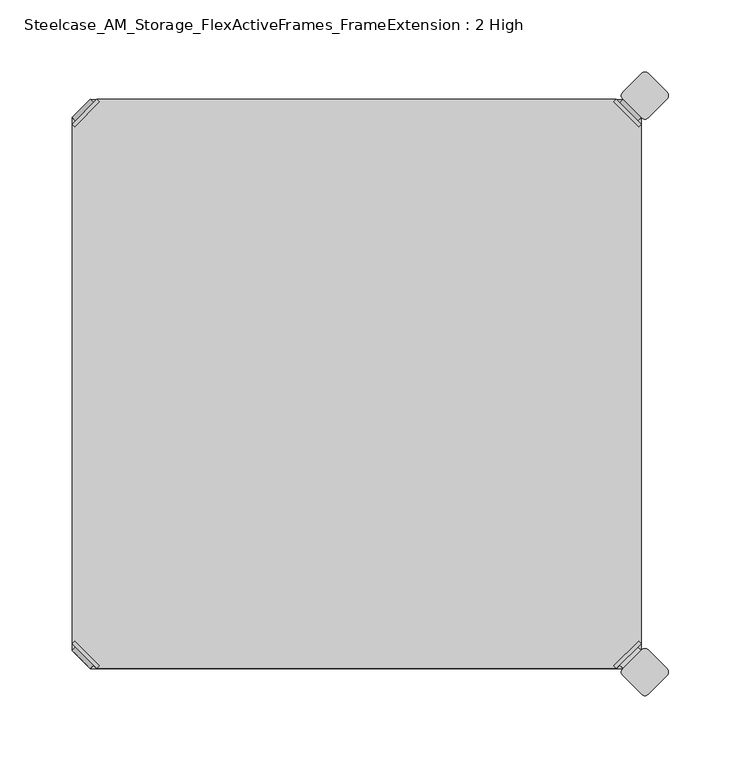
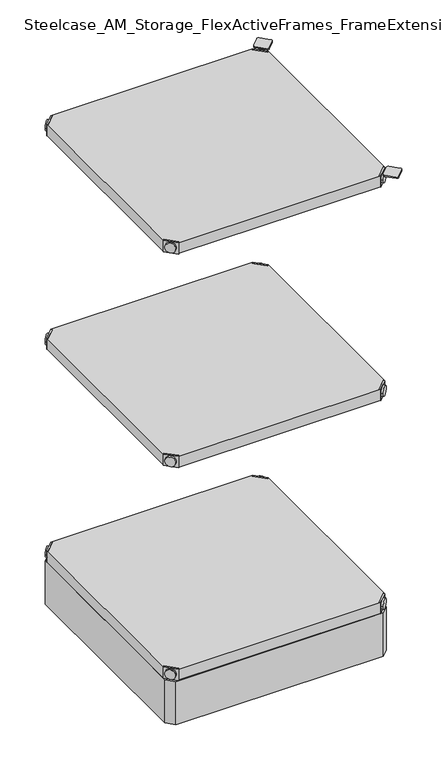
"""IFC4 building model written with IfcOpenShell, lengths in millimetres: furniture geometry, Steelcase_AM_Storage_FlexActiveFrames_FrameExtension : 2 High."""

from ifc_helpers import new_model, si_unit, point, frame, frame_2d, origin, place, context, project, spatial, polyline, circle_curve, trimmed, segment, composite_curve, outline, extrude, source, transform, mapped, element, save
from ifc_brep_helpers import plane_surface, cylinder_surface, advanced_brep


def steelcase_am_storage_flexactiveframes_frameextension_2_high_9f9d7669(model_context):
    return source(origin(), model_context, "Body", "SolidModel", [
        advanced_brep(
        [(2.54, 380.2870969, 520.2936), (4.3360512, 378.4910456, 520.2936), (21.5589544, 395.7139488, 520.2936), (19.7629031, 397.51, 520.2936), (19.7629031, 397.51, 498.9576), (2.54, 380.2870969, 498.9576), (4.8652723, 382.6123691, 510.1336), (17.4376309, 395.1847277, 510.1336), (30.2920522, 352.5350447, 499.9736), (47.5149553, 369.7579478, 499.9736), (21.5589544, 395.7139488, 499.9736), (4.3360512, 378.4910456, 499.9736), (30.2920522, 352.5350447, 498.9576), (47.5149553, 369.7579478, 498.9576), (15.1227513, 397.4996073, 510.1336), (2.5503927, 384.9272487, 510.1336)],
        [
            (0, 1),
            (1, 2),
            (2, 3),
            (3, 0),
            (3, 4),
            (4, 5),
            (5, 0),
            (6, 7, circle_curve(frame((11.1514516, 388.8985484, 510.1336), z_axis=(0.7071067811865446, -0.7071067811865505, 0.0), x_axis=(-0.7071067811865505, -0.7071067811865446, 0.0)), 8.89)),
            (7, 6, circle_curve(frame((11.1514516, 388.8985484, 510.1336), z_axis=(0.7071067811865446, -0.7071067811865505, 0.0), x_axis=(-0.7071067811865505, -0.7071067811865446, 0.0)), 8.89)),
            (8, 9, circle_curve(frame((38.9035037, 361.1464963, 499.9736), z_axis=(0.0, 0.0, 1.0), x_axis=(1.0, 0.0, 0.0)), 12.1784316)),
            (9, 10),
            (10, 11),
            (11, 8),
            (12, 5),
            (4, 13),
            (13, 12, circle_curve(frame((38.9035037, 361.1464963, 498.9576), z_axis=(0.0, 0.0, -1.0), x_axis=(1.0, 0.0, 0.0)), 12.1784316)),
            (14, 15, circle_curve(frame((8.836572, 391.213428, 510.1336), z_axis=(-0.7071067811865446, 0.7071067811865505, 0.0), x_axis=(-0.7071067811865505, -0.7071067811865446, 0.0)), 8.89)),
            (15, 14, circle_curve(frame((8.836572, 391.213428, 510.1336), z_axis=(-0.7071067811865446, 0.7071067811865505, 0.0), x_axis=(-0.7071067811865505, -0.7071067811865446, 0.0)), 8.89)),
            (14, 7),
            (6, 15),
            (1, 11),
            (10, 2),
            (8, 12),
            (13, 9),
        ],
        [
            plane_surface(frame((-19.6579872, 402.485084, 520.2936), z_axis=(0.0, 0.0, 1.0000000000000002), x_axis=(0.7071067811865436, -0.7071067811865516, 0.0))),
            plane_surface(frame((19.7629031, 397.51, 520.2936), z_axis=(-0.7071067811865447, 0.7071067811865503, 0.0), x_axis=(0.0, 0.0, -1.0))),
            plane_surface(frame((51.0819353, 361.1464963, 499.9736), z_axis=(0.0, 0.0, 1.0), x_axis=(0.0, 1.0, 0.0))),
            plane_surface(frame((51.0819353, 361.1464963, 498.9576), z_axis=(0.0, 0.0, -1.0), x_axis=(0.0, -1.0, 0.0))),
            plane_surface(frame((2.5503927, 384.9272487, 510.1336), z_axis=(-0.7071067811865446, 0.7071067811865505, 0.0), x_axis=(0.0, 0.0, 1.0))),
            cylinder_surface(frame((11.1514516, 388.8985484, 510.1336), z_axis=(-0.7071067811865446, 0.7071067811865505, 0.0), x_axis=(-0.7071067811865505, -0.7071067811865446, 0.0)), 8.89),
            plane_surface(frame((4.3360512, 378.4910456, 520.2936), z_axis=(0.7071067811865447, -0.7071067811865503, 0.0), x_axis=(0.0, 0.0, -1.0))),
            cylinder_surface(frame((38.9035037, 361.1464963, 498.9576), z_axis=(0.0, 0.0, 1.0), x_axis=(1.0, 0.0, 0.0)), 12.1784316),
            plane_surface(frame((2.54, 380.2870969, 520.2936), z_axis=(-0.7071067811865516, -0.7071067811865436, 0.0), x_axis=(0.0, 0.0, -1.0))),
            plane_surface(frame((21.5589544, 395.7139488, 520.2936), z_axis=(0.7071067811865513, 0.7071067811865437, 0.0), x_axis=(0.0, 0.0, -1.0))),
        ],
        [
            (0, [[1, 2, 3, 4]]),
            (1, [[-4, 5, 6, 7], [8, 9]]),
            (2, [[10, 11, 12, 13]]),
            (3, [[14, -6, 15, 16]]),
            (4, [[17, 18]]),
            (5, [[-17, 19, -8, 20]]),
            (5, [[-18, -20, -9, -19]]),
            (6, [[-2, 21, -12, 22]]),
            (7, [[-10, 23, -16, 24]]),
            (8, [[-1, -7, -14, -23, -13, -21]]),
            (9, [[-3, -22, -11, -24, -15, -5]]),
        ],
    ),
        advanced_brep(
        [(397.51, 380.2870969, 520.2936), (380.2870969, 397.51, 520.2936), (378.4910456, 395.7139488, 520.2936), (395.7139488, 378.4910456, 520.2936), (397.51, 380.2870969, 498.9576), (380.2870969, 397.51, 498.9576), (395.1847277, 382.6123691, 510.1336), (382.6123691, 395.1847277, 510.1336), (369.7579478, 352.5350447, 499.9736), (395.7139488, 378.4910456, 499.9736), (378.4910456, 395.7139488, 499.9736), (352.5350447, 369.7579478, 499.9736), (369.7579478, 352.5350447, 498.9576), (352.5350447, 369.7579478, 498.9576), (384.9272487, 397.4996073, 510.1336), (397.4996073, 384.9272487, 510.1336)],
        [
            (0, 1),
            (1, 2),
            (2, 3),
            (3, 0),
            (0, 4),
            (4, 5),
            (5, 1),
            (6, 7, circle_curve(frame((388.8985484, 388.8985484, 510.1336), z_axis=(-0.7071067811865446, -0.7071067811865505, 0.0), x_axis=(0.7071067811865505, -0.7071067811865446, 0.0)), 8.89)),
            (7, 6, circle_curve(frame((388.8985484, 388.8985484, 510.1336), z_axis=(-0.7071067811865446, -0.7071067811865505, 0.0), x_axis=(0.7071067811865505, -0.7071067811865446, 0.0)), 8.89)),
            (8, 9),
            (9, 10),
            (10, 11),
            (11, 8, circle_curve(frame((361.1464963, 361.1464963, 499.9736), z_axis=(0.0, 0.0, 1.0), x_axis=(-1.0, 0.0, 0.0)), 12.1784316)),
            (12, 13, circle_curve(frame((361.1464963, 361.1464963, 498.9576), z_axis=(0.0, 0.0, -1.0), x_axis=(-1.0, 0.0, 0.0)), 12.1784316)),
            (13, 5),
            (4, 12),
            (14, 15, circle_curve(frame((391.213428, 391.213428, 510.1336), z_axis=(0.7071067811865446, 0.7071067811865505, 0.0), x_axis=(0.7071067811865505, -0.7071067811865446, 0.0)), 8.89)),
            (15, 14, circle_curve(frame((391.213428, 391.213428, 510.1336), z_axis=(0.7071067811865446, 0.7071067811865505, 0.0), x_axis=(0.7071067811865505, -0.7071067811865446, 0.0)), 8.89)),
            (15, 6),
            (7, 14),
            (2, 10),
            (9, 3),
            (11, 13),
            (12, 8),
        ],
        [
            plane_surface(frame((419.7079872, 402.485084, 520.2936), z_axis=(0.0, 0.0, 1.0000000000000002), x_axis=(-0.7071067811865436, -0.7071067811865516, 0.0))),
            plane_surface(frame((380.2870969, 397.51, 520.2936), z_axis=(0.7071067811865447, 0.7071067811865503, 0.0), x_axis=(0.0, 0.0, -1.0))),
            plane_surface(frame((348.9680647, 361.1464963, 499.9736), z_axis=(0.0, 0.0, 1.0), x_axis=(0.0, 1.0, 0.0))),
            plane_surface(frame((348.9680647, 361.1464963, 498.9576), z_axis=(0.0, 0.0, -1.0), x_axis=(0.0, -1.0, 0.0))),
            plane_surface(frame((397.4996073, 384.9272487, 510.1336), z_axis=(0.7071067811865446, 0.7071067811865505, 0.0), x_axis=(0.0, 0.0, 1.0))),
            cylinder_surface(frame((388.8985484, 388.8985484, 510.1336), z_axis=(0.7071067811865446, 0.7071067811865505, 0.0), x_axis=(0.7071067811865505, -0.7071067811865446, 0.0)), 8.89),
            plane_surface(frame((395.7139488, 378.4910456, 520.2936), z_axis=(-0.7071067811865447, -0.7071067811865503, 0.0), x_axis=(0.0, 0.0, -1.0))),
            cylinder_surface(frame((361.1464963, 361.1464963, 498.9576), z_axis=(0.0, 0.0, 1.0), x_axis=(-1.0, 0.0, 0.0)), 12.1784316),
            plane_surface(frame((397.51, 380.2870969, 520.2936), z_axis=(0.7071067811865516, -0.7071067811865436, 0.0), x_axis=(0.0, 0.0, -1.0))),
            plane_surface(frame((378.4910456, 395.7139488, 520.2936), z_axis=(-0.7071067811865513, 0.7071067811865437, 0.0), x_axis=(0.0, 0.0, -1.0))),
        ],
        [
            (0, [[1, 2, 3, 4]]),
            (1, [[5, 6, 7, -1], [8, 9]]),
            (2, [[10, 11, 12, 13]]),
            (3, [[14, 15, -6, 16]]),
            (4, [[17, 18]]),
            (5, [[19, -9, 20, -18]]),
            (5, [[-20, -8, -19, -17]]),
            (6, [[21, -11, 22, -3]]),
            (7, [[23, -14, 24, -13]]),
            (8, [[-22, -10, -24, -16, -5, -4]]),
            (9, [[-7, -15, -23, -12, -21, -2]]),
        ],
    ),
        advanced_brep(
        [(397.51, 19.7629031, 520.2936), (395.7139488, 21.5589544, 520.2936), (378.4910456, 4.3360512, 520.2936), (380.2870969, 2.54, 520.2936), (380.2870969, 2.54, 498.9576), (397.51, 19.7629031, 498.9576), (395.1847277, 17.4376309, 510.1336), (382.6123691, 4.8652723, 510.1336), (369.7579478, 47.5149553, 499.9736), (352.5350447, 30.2920522, 499.9736), (378.4910456, 4.3360512, 499.9736), (395.7139488, 21.5589544, 499.9736), (369.7579478, 47.5149553, 498.9576), (352.5350447, 30.2920522, 498.9576), (384.9272487, 2.5503927, 510.1336), (397.4996073, 15.1227513, 510.1336)],
        [
            (0, 1),
            (1, 2),
            (2, 3),
            (3, 0),
            (3, 4),
            (4, 5),
            (5, 0),
            (6, 7, circle_curve(frame((388.8985484, 11.1514516, 510.1336), z_axis=(-0.7071067811865469, 0.7071067811865481, 0.0), x_axis=(0.7071067811865481, 0.7071067811865469, 0.0)), 8.89)),
            (7, 6, circle_curve(frame((388.8985484, 11.1514516, 510.1336), z_axis=(-0.7071067811865469, 0.7071067811865481, 0.0), x_axis=(0.7071067811865481, 0.7071067811865469, 0.0)), 8.89)),
            (8, 9, circle_curve(frame((361.1464963, 38.9035037, 499.9736), z_axis=(0.0, 0.0, 1.0), x_axis=(-1.0, 0.0, 0.0)), 12.1784316)),
            (9, 10),
            (10, 11),
            (11, 8),
            (12, 5),
            (4, 13),
            (13, 12, circle_curve(frame((361.1464963, 38.9035037, 498.9576), z_axis=(0.0, 0.0, -1.0), x_axis=(-1.0, 0.0, 0.0)), 12.1784316)),
            (14, 15, circle_curve(frame((391.213428, 8.836572, 510.1336), z_axis=(0.7071067811865469, -0.7071067811865481, 0.0), x_axis=(0.7071067811865481, 0.7071067811865469, 0.0)), 8.89)),
            (15, 14, circle_curve(frame((391.213428, 8.836572, 510.1336), z_axis=(0.7071067811865469, -0.7071067811865481, 0.0), x_axis=(0.7071067811865481, 0.7071067811865469, 0.0)), 8.89)),
            (14, 7),
            (6, 15),
            (1, 11),
            (10, 2),
            (8, 12),
            (13, 9),
        ],
        [
            plane_surface(frame((419.7079872, -2.435084, 520.2936), z_axis=(0.0, 0.0, 1.0000000000000002), x_axis=(-0.7071067811865459, 0.7071067811865492, 0.0))),
            plane_surface(frame((380.2870969, 2.54, 520.2936), z_axis=(0.707106781186547, -0.707106781186548, 0.0), x_axis=(0.0, 0.0, -1.0))),
            plane_surface(frame((348.9680647, 38.9035037, 499.9736), z_axis=(0.0, 0.0, 1.0), x_axis=(0.0, -1.0, 0.0))),
            plane_surface(frame((348.9680647, 38.9035037, 498.9576), z_axis=(0.0, 0.0, -1.0), x_axis=(0.0, 1.0, 0.0))),
            plane_surface(frame((397.4996073, 15.1227513, 510.1336), z_axis=(0.7071067811865469, -0.7071067811865481, 0.0), x_axis=(0.0, 0.0, 1.0))),
            cylinder_surface(frame((388.8985484, 11.1514516, 510.1336), z_axis=(0.7071067811865469, -0.7071067811865481, 0.0), x_axis=(0.7071067811865481, 0.7071067811865469, 0.0)), 8.89),
            plane_surface(frame((395.7139488, 21.5589544, 520.2936), z_axis=(-0.707106781186547, 0.707106781186548, 0.0), x_axis=(0.0, 0.0, -1.0))),
            cylinder_surface(frame((361.1464963, 38.9035037, 498.9576), z_axis=(0.0, 0.0, 1.0), x_axis=(-1.0, 0.0, 0.0)), 12.1784316),
            plane_surface(frame((397.51, 19.7629031, 520.2936), z_axis=(0.7071067811865492, 0.7071067811865459, 0.0), x_axis=(0.0, 0.0, -1.0))),
            plane_surface(frame((378.4910456, 4.3360512, 520.2936), z_axis=(-0.707106781186549, -0.707106781186546, 0.0), x_axis=(0.0, 0.0, -1.0))),
        ],
        [
            (0, [[1, 2, 3, 4]]),
            (1, [[-4, 5, 6, 7], [8, 9]]),
            (2, [[10, 11, 12, 13]]),
            (3, [[14, -6, 15, 16]]),
            (4, [[17, 18]]),
            (5, [[-17, 19, -8, 20]]),
            (5, [[-18, -20, -9, -19]]),
            (6, [[-2, 21, -12, 22]]),
            (7, [[-10, 23, -16, 24]]),
            (8, [[-1, -7, -14, -23, -13, -21]]),
            (9, [[-3, -22, -11, -24, -15, -5]]),
        ],
    ),
        advanced_brep(
        [(2.54, 19.7629031, 520.2936), (19.7629031, 2.54, 520.2936), (21.5589544, 4.3360512, 520.2936), (4.3360512, 21.5589544, 520.2936), (2.54, 19.7629031, 498.9576), (19.7629031, 2.54, 498.9576), (4.8652723, 17.4376309, 510.1336), (17.4376309, 4.8652723, 510.1336), (30.2920522, 47.5149553, 499.9736), (4.3360512, 21.5589544, 499.9736), (21.5589544, 4.3360512, 499.9736), (47.5149553, 30.2920522, 499.9736), (30.2920522, 47.5149553, 498.9576), (47.5149553, 30.2920522, 498.9576), (15.1227513, 2.5503927, 510.1336), (2.5503927, 15.1227513, 510.1336)],
        [
            (0, 1),
            (1, 2),
            (2, 3),
            (3, 0),
            (0, 4),
            (4, 5),
            (5, 1),
            (6, 7, circle_curve(frame((11.1514516, 11.1514516, 510.1336), z_axis=(0.7071067811865469, 0.7071067811865481, 0.0), x_axis=(-0.7071067811865481, 0.7071067811865469, 0.0)), 8.89)),
            (7, 6, circle_curve(frame((11.1514516, 11.1514516, 510.1336), z_axis=(0.7071067811865469, 0.7071067811865481, 0.0), x_axis=(-0.7071067811865481, 0.7071067811865469, 0.0)), 8.89)),
            (8, 9),
            (9, 10),
            (10, 11),
            (11, 8, circle_curve(frame((38.9035037, 38.9035037, 499.9736), z_axis=(0.0, 0.0, 1.0), x_axis=(1.0, 0.0, 0.0)), 12.1784316)),
            (12, 13, circle_curve(frame((38.9035037, 38.9035037, 498.9576), z_axis=(0.0, 0.0, -1.0), x_axis=(1.0, 0.0, 0.0)), 12.1784316)),
            (13, 5),
            (4, 12),
            (14, 15, circle_curve(frame((8.836572, 8.836572, 510.1336), z_axis=(-0.7071067811865469, -0.7071067811865481, 0.0), x_axis=(-0.7071067811865481, 0.7071067811865469, 0.0)), 8.89)),
            (15, 14, circle_curve(frame((8.836572, 8.836572, 510.1336), z_axis=(-0.7071067811865469, -0.7071067811865481, 0.0), x_axis=(-0.7071067811865481, 0.7071067811865469, 0.0)), 8.89)),
            (15, 6),
            (7, 14),
            (2, 10),
            (9, 3),
            (11, 13),
            (12, 8),
        ],
        [
            plane_surface(frame((-19.6579872, -2.435084, 520.2936), z_axis=(0.0, 0.0, 1.0000000000000002), x_axis=(0.7071067811865459, 0.7071067811865492, 0.0))),
            plane_surface(frame((19.7629031, 2.54, 520.2936), z_axis=(-0.707106781186547, -0.707106781186548, 0.0), x_axis=(0.0, 0.0, -1.0))),
            plane_surface(frame((51.0819353, 38.9035037, 499.9736), z_axis=(0.0, 0.0, 1.0), x_axis=(0.0, -1.0, 0.0))),
            plane_surface(frame((51.0819353, 38.9035037, 498.9576), z_axis=(0.0, 0.0, -1.0), x_axis=(0.0, 1.0, 0.0))),
            plane_surface(frame((2.5503927, 15.1227513, 510.1336), z_axis=(-0.7071067811865469, -0.7071067811865481, 0.0), x_axis=(0.0, 0.0, 1.0))),
            cylinder_surface(frame((11.1514516, 11.1514516, 510.1336), z_axis=(-0.7071067811865469, -0.7071067811865481, 0.0), x_axis=(-0.7071067811865481, 0.7071067811865469, 0.0)), 8.89),
            plane_surface(frame((4.3360512, 21.5589544, 520.2936), z_axis=(0.707106781186547, 0.707106781186548, 0.0), x_axis=(0.0, 0.0, -1.0))),
            cylinder_surface(frame((38.9035037, 38.9035037, 498.9576), z_axis=(0.0, 0.0, 1.0), x_axis=(1.0, 0.0, 0.0)), 12.1784316),
            plane_surface(frame((2.54, 19.7629031, 520.2936), z_axis=(-0.7071067811865492, 0.7071067811865459, 0.0), x_axis=(0.0, 0.0, -1.0))),
            plane_surface(frame((21.5589544, 4.3360512, 520.2936), z_axis=(0.707106781186549, -0.707106781186546, 0.0), x_axis=(0.0, 0.0, -1.0))),
        ],
        [
            (0, [[1, 2, 3, 4]]),
            (1, [[5, 6, 7, -1], [8, 9]]),
            (2, [[10, 11, 12, 13]]),
            (3, [[14, 15, -6, 16]]),
            (4, [[17, 18]]),
            (5, [[19, -9, 20, -18]]),
            (5, [[-20, -8, -19, -17]]),
            (6, [[21, -11, 22, -3]]),
            (7, [[23, -14, 24, -13]]),
            (8, [[-22, -10, -24, -16, -5, -4]]),
            (9, [[-7, -15, -23, -12, -21, -2]]),
        ],
    ),
        extrude(outline(polyline([(19.7629031, 2.54), (21.5589544, 4.3360512), (4.3360512, 21.5589544), (2.54, 19.7629031), (2.54, 380.2870969), (4.3360512, 378.4910456), (21.5589544, 395.7139488), (19.7629031, 397.51), (380.2870969, 397.51), (378.4910456, 395.7139488), (395.7139488, 378.4910456), (397.51, 380.2870969), (397.51, 19.7629031), (395.7139488, 21.5589544), (378.4910456, 4.3360512), (380.2870969, 2.54), (19.7629031, 2.54)])), frame((0.0, 0.0, 499.9736), z_axis=(0.0, 0.0, 1.0), x_axis=(1.0, 0.0, 0.0)), (0.0, 0.0, 1.0), 20.32),
        advanced_brep(
        [(2.54, 380.2870969, 923.29), (4.3360512, 378.4910456, 923.29), (21.5589544, 395.7139488, 923.29), (19.7629031, 397.51, 923.29), (19.7629031, 397.51, 901.954), (2.54, 380.2870969, 901.954), (4.8652723, 382.6123691, 913.13), (17.4376309, 395.1847277, 913.13), (30.2920522, 352.5350447, 902.97), (47.5149553, 369.7579478, 902.97), (21.5589544, 395.7139488, 902.97), (4.3360512, 378.4910456, 902.97), (30.2920522, 352.5350447, 901.954), (47.5149553, 369.7579478, 901.954), (15.1227513, 397.4996073, 913.13), (2.5503927, 384.9272487, 913.13)],
        [
            (0, 1),
            (1, 2),
            (2, 3),
            (3, 0),
            (3, 4),
            (4, 5),
            (5, 0),
            (6, 7, circle_curve(frame((11.1514516, 388.8985484, 913.13), z_axis=(0.7071067811865446, -0.7071067811865505, 0.0), x_axis=(-0.7071067811865505, -0.7071067811865446, 0.0)), 8.89)),
            (7, 6, circle_curve(frame((11.1514516, 388.8985484, 913.13), z_axis=(0.7071067811865446, -0.7071067811865505, 0.0), x_axis=(-0.7071067811865505, -0.7071067811865446, 0.0)), 8.89)),
            (8, 9, circle_curve(frame((38.9035037, 361.1464963, 902.97), z_axis=(0.0, 0.0, 1.0), x_axis=(1.0, 0.0, 0.0)), 12.1784316)),
            (9, 10),
            (10, 11),
            (11, 8),
            (12, 5),
            (4, 13),
            (13, 12, circle_curve(frame((38.9035037, 361.1464963, 901.954), z_axis=(0.0, 0.0, -1.0), x_axis=(1.0, 0.0, 0.0)), 12.1784316)),
            (14, 15, circle_curve(frame((8.836572, 391.213428, 913.13), z_axis=(-0.7071067811865446, 0.7071067811865505, 0.0), x_axis=(-0.7071067811865505, -0.7071067811865446, 0.0)), 8.89)),
            (15, 14, circle_curve(frame((8.836572, 391.213428, 913.13), z_axis=(-0.7071067811865446, 0.7071067811865505, 0.0), x_axis=(-0.7071067811865505, -0.7071067811865446, 0.0)), 8.89)),
            (14, 7),
            (6, 15),
            (1, 11),
            (10, 2),
            (8, 12),
            (13, 9),
        ],
        [
            plane_surface(frame((-19.6579872, 402.485084, 923.29), z_axis=(0.0, 0.0, 1.0000000000000002), x_axis=(0.7071067811865436, -0.7071067811865516, 0.0))),
            plane_surface(frame((19.7629031, 397.51, 923.29), z_axis=(-0.7071067811865447, 0.7071067811865503, 0.0), x_axis=(0.0, 0.0, -1.0))),
            plane_surface(frame((51.0819353, 361.1464963, 902.97), z_axis=(0.0, 0.0, 1.0), x_axis=(0.0, 1.0, 0.0))),
            plane_surface(frame((51.0819353, 361.1464963, 901.954), z_axis=(0.0, 0.0, -1.0), x_axis=(0.0, -1.0, 0.0))),
            plane_surface(frame((2.5503927, 384.9272487, 913.13), z_axis=(-0.7071067811865446, 0.7071067811865505, 0.0), x_axis=(0.0, 0.0, 1.0))),
            cylinder_surface(frame((11.1514516, 388.8985484, 913.13), z_axis=(-0.7071067811865446, 0.7071067811865505, 0.0), x_axis=(-0.7071067811865505, -0.7071067811865446, 0.0)), 8.89),
            plane_surface(frame((4.3360512, 378.4910456, 923.29), z_axis=(0.7071067811865447, -0.7071067811865503, 0.0), x_axis=(0.0, 0.0, -1.0))),
            cylinder_surface(frame((38.9035037, 361.1464963, 901.954), z_axis=(0.0, 0.0, 1.0), x_axis=(1.0, 0.0, 0.0)), 12.1784316),
            plane_surface(frame((2.54, 380.2870969, 923.29), z_axis=(-0.7071067811865516, -0.7071067811865436, 0.0), x_axis=(0.0, 0.0, -1.0))),
            plane_surface(frame((21.5589544, 395.7139488, 923.29), z_axis=(0.7071067811865513, 0.7071067811865437, 0.0), x_axis=(0.0, 0.0, -1.0))),
        ],
        [
            (0, [[1, 2, 3, 4]]),
            (1, [[-4, 5, 6, 7], [8, 9]]),
            (2, [[10, 11, 12, 13]]),
            (3, [[14, -6, 15, 16]]),
            (4, [[17, 18]]),
            (5, [[-17, 19, -8, 20]]),
            (5, [[-18, -20, -9, -19]]),
            (6, [[-2, 21, -12, 22]]),
            (7, [[-10, 23, -16, 24]]),
            (8, [[-1, -7, -14, -23, -13, -21]]),
            (9, [[-3, -22, -11, -24, -15, -5]]),
        ],
    ),
        advanced_brep(
        [(397.51, 380.2870969, 923.29), (380.2870969, 397.51, 923.29), (378.4910456, 395.7139488, 923.29), (395.7139488, 378.4910456, 923.29), (397.51, 380.2870969, 901.954), (380.2870969, 397.51, 901.954), (395.1847277, 382.6123691, 913.13), (382.6123691, 395.1847277, 913.13), (369.7579478, 352.5350447, 902.97), (395.7139488, 378.4910456, 902.97), (378.4910456, 395.7139488, 902.97), (352.5350447, 369.7579478, 902.97), (369.7579478, 352.5350447, 901.954), (352.5350447, 369.7579478, 901.954), (384.9272487, 397.4996073, 913.13), (397.4996073, 384.9272487, 913.13)],
        [
            (0, 1),
            (1, 2),
            (2, 3),
            (3, 0),
            (0, 4),
            (4, 5),
            (5, 1),
            (6, 7, circle_curve(frame((388.8985484, 388.8985484, 913.13), z_axis=(-0.7071067811865446, -0.7071067811865505, 0.0), x_axis=(0.7071067811865505, -0.7071067811865446, 0.0)), 8.89)),
            (7, 6, circle_curve(frame((388.8985484, 388.8985484, 913.13), z_axis=(-0.7071067811865446, -0.7071067811865505, 0.0), x_axis=(0.7071067811865505, -0.7071067811865446, 0.0)), 8.89)),
            (8, 9),
            (9, 10),
            (10, 11),
            (11, 8, circle_curve(frame((361.1464963, 361.1464963, 902.97), z_axis=(0.0, 0.0, 1.0), x_axis=(-1.0, 0.0, 0.0)), 12.1784316)),
            (12, 13, circle_curve(frame((361.1464963, 361.1464963, 901.954), z_axis=(0.0, 0.0, -1.0), x_axis=(-1.0, 0.0, 0.0)), 12.1784316)),
            (13, 5),
            (4, 12),
            (14, 15, circle_curve(frame((391.213428, 391.213428, 913.13), z_axis=(0.7071067811865446, 0.7071067811865505, 0.0), x_axis=(0.7071067811865505, -0.7071067811865446, 0.0)), 8.89)),
            (15, 14, circle_curve(frame((391.213428, 391.213428, 913.13), z_axis=(0.7071067811865446, 0.7071067811865505, 0.0), x_axis=(0.7071067811865505, -0.7071067811865446, 0.0)), 8.89)),
            (15, 6),
            (7, 14),
            (2, 10),
            (9, 3),
            (11, 13),
            (12, 8),
        ],
        [
            plane_surface(frame((419.7079872, 402.485084, 923.29), z_axis=(0.0, 0.0, 1.0000000000000002), x_axis=(-0.7071067811865436, -0.7071067811865516, 0.0))),
            plane_surface(frame((380.2870969, 397.51, 923.29), z_axis=(0.7071067811865447, 0.7071067811865503, 0.0), x_axis=(0.0, 0.0, -1.0))),
            plane_surface(frame((348.9680647, 361.1464963, 902.97), z_axis=(0.0, 0.0, 1.0), x_axis=(0.0, 1.0, 0.0))),
            plane_surface(frame((348.9680647, 361.1464963, 901.954), z_axis=(0.0, 0.0, -1.0), x_axis=(0.0, -1.0, 0.0))),
            plane_surface(frame((397.4996073, 384.9272487, 913.13), z_axis=(0.7071067811865446, 0.7071067811865505, 0.0), x_axis=(0.0, 0.0, 1.0))),
            cylinder_surface(frame((388.8985484, 388.8985484, 913.13), z_axis=(0.7071067811865446, 0.7071067811865505, 0.0), x_axis=(0.7071067811865505, -0.7071067811865446, 0.0)), 8.89),
            plane_surface(frame((395.7139488, 378.4910456, 923.29), z_axis=(-0.7071067811865447, -0.7071067811865503, 0.0), x_axis=(0.0, 0.0, -1.0))),
            cylinder_surface(frame((361.1464963, 361.1464963, 901.954), z_axis=(0.0, 0.0, 1.0), x_axis=(-1.0, 0.0, 0.0)), 12.1784316),
            plane_surface(frame((397.51, 380.2870969, 923.29), z_axis=(0.7071067811865516, -0.7071067811865436, 0.0), x_axis=(0.0, 0.0, -1.0))),
            plane_surface(frame((378.4910456, 395.7139488, 923.29), z_axis=(-0.7071067811865513, 0.7071067811865437, 0.0), x_axis=(0.0, 0.0, -1.0))),
        ],
        [
            (0, [[1, 2, 3, 4]]),
            (1, [[5, 6, 7, -1], [8, 9]]),
            (2, [[10, 11, 12, 13]]),
            (3, [[14, 15, -6, 16]]),
            (4, [[17, 18]]),
            (5, [[19, -9, 20, -18]]),
            (5, [[-20, -8, -19, -17]]),
            (6, [[21, -11, 22, -3]]),
            (7, [[23, -14, 24, -13]]),
            (8, [[-22, -10, -24, -16, -5, -4]]),
            (9, [[-7, -15, -23, -12, -21, -2]]),
        ],
    ),
        advanced_brep(
        [(397.51, 19.7629031, 923.29), (395.7139488, 21.5589544, 923.29), (378.4910456, 4.3360512, 923.29), (380.2870969, 2.54, 923.29), (380.2870969, 2.54, 901.954), (397.51, 19.7629031, 901.954), (395.1847277, 17.4376309, 913.13), (382.6123691, 4.8652723, 913.13), (369.7579478, 47.5149553, 902.97), (352.5350447, 30.2920522, 902.97), (378.4910456, 4.3360512, 902.97), (395.7139488, 21.5589544, 902.97), (369.7579478, 47.5149553, 901.954), (352.5350447, 30.2920522, 901.954), (384.9272487, 2.5503927, 913.13), (397.4996073, 15.1227513, 913.13)],
        [
            (0, 1),
            (1, 2),
            (2, 3),
            (3, 0),
            (3, 4),
            (4, 5),
            (5, 0),
            (6, 7, circle_curve(frame((388.8985484, 11.1514516, 913.13), z_axis=(-0.7071067811865469, 0.7071067811865481, 0.0), x_axis=(0.7071067811865481, 0.7071067811865469, 0.0)), 8.89)),
            (7, 6, circle_curve(frame((388.8985484, 11.1514516, 913.13), z_axis=(-0.7071067811865469, 0.7071067811865481, 0.0), x_axis=(0.7071067811865481, 0.7071067811865469, 0.0)), 8.89)),
            (8, 9, circle_curve(frame((361.1464963, 38.9035037, 902.97), z_axis=(0.0, 0.0, 1.0), x_axis=(-1.0, 0.0, 0.0)), 12.1784316)),
            (9, 10),
            (10, 11),
            (11, 8),
            (12, 5),
            (4, 13),
            (13, 12, circle_curve(frame((361.1464963, 38.9035037, 901.954), z_axis=(0.0, 0.0, -1.0), x_axis=(-1.0, 0.0, 0.0)), 12.1784316)),
            (14, 15, circle_curve(frame((391.213428, 8.836572, 913.13), z_axis=(0.7071067811865469, -0.7071067811865481, 0.0), x_axis=(0.7071067811865481, 0.7071067811865469, 0.0)), 8.89)),
            (15, 14, circle_curve(frame((391.213428, 8.836572, 913.13), z_axis=(0.7071067811865469, -0.7071067811865481, 0.0), x_axis=(0.7071067811865481, 0.7071067811865469, 0.0)), 8.89)),
            (14, 7),
            (6, 15),
            (1, 11),
            (10, 2),
            (8, 12),
            (13, 9),
        ],
        [
            plane_surface(frame((419.7079872, -2.435084, 923.29), z_axis=(0.0, 0.0, 1.0000000000000002), x_axis=(-0.7071067811865459, 0.7071067811865492, 0.0))),
            plane_surface(frame((380.2870969, 2.54, 923.29), z_axis=(0.707106781186547, -0.707106781186548, 0.0), x_axis=(0.0, 0.0, -1.0))),
            plane_surface(frame((348.9680647, 38.9035037, 902.97), z_axis=(0.0, 0.0, 1.0), x_axis=(0.0, -1.0, 0.0))),
            plane_surface(frame((348.9680647, 38.9035037, 901.954), z_axis=(0.0, 0.0, -1.0), x_axis=(0.0, 1.0, 0.0))),
            plane_surface(frame((397.4996073, 15.1227513, 913.13), z_axis=(0.7071067811865469, -0.7071067811865481, 0.0), x_axis=(0.0, 0.0, 1.0))),
            cylinder_surface(frame((388.8985484, 11.1514516, 913.13), z_axis=(0.7071067811865469, -0.7071067811865481, 0.0), x_axis=(0.7071067811865481, 0.7071067811865469, 0.0)), 8.89),
            plane_surface(frame((395.7139488, 21.5589544, 923.29), z_axis=(-0.707106781186547, 0.707106781186548, 0.0), x_axis=(0.0, 0.0, -1.0))),
            cylinder_surface(frame((361.1464963, 38.9035037, 901.954), z_axis=(0.0, 0.0, 1.0), x_axis=(-1.0, 0.0, 0.0)), 12.1784316),
            plane_surface(frame((397.51, 19.7629031, 923.29), z_axis=(0.7071067811865492, 0.7071067811865459, 0.0), x_axis=(0.0, 0.0, -1.0))),
            plane_surface(frame((378.4910456, 4.3360512, 923.29), z_axis=(-0.707106781186549, -0.707106781186546, 0.0), x_axis=(0.0, 0.0, -1.0))),
        ],
        [
            (0, [[1, 2, 3, 4]]),
            (1, [[-4, 5, 6, 7], [8, 9]]),
            (2, [[10, 11, 12, 13]]),
            (3, [[14, -6, 15, 16]]),
            (4, [[17, 18]]),
            (5, [[-17, 19, -8, 20]]),
            (5, [[-18, -20, -9, -19]]),
            (6, [[-2, 21, -12, 22]]),
            (7, [[-10, 23, -16, 24]]),
            (8, [[-1, -7, -14, -23, -13, -21]]),
            (9, [[-3, -22, -11, -24, -15, -5]]),
        ],
    ),
        advanced_brep(
        [(2.54, 19.7629031, 923.29), (19.7629031, 2.54, 923.29), (21.5589544, 4.3360512, 923.29), (4.3360512, 21.5589544, 923.29), (2.54, 19.7629031, 901.954), (19.7629031, 2.54, 901.954), (4.8652723, 17.4376309, 913.13), (17.4376309, 4.8652723, 913.13), (30.2920522, 47.5149553, 902.97), (4.3360512, 21.5589544, 902.97), (21.5589544, 4.3360512, 902.97), (47.5149553, 30.2920522, 902.97), (30.2920522, 47.5149553, 901.954), (47.5149553, 30.2920522, 901.954), (15.1227513, 2.5503927, 913.13), (2.5503927, 15.1227513, 913.13)],
        [
            (0, 1),
            (1, 2),
            (2, 3),
            (3, 0),
            (0, 4),
            (4, 5),
            (5, 1),
            (6, 7, circle_curve(frame((11.1514516, 11.1514516, 913.13), z_axis=(0.7071067811865469, 0.7071067811865481, 0.0), x_axis=(-0.7071067811865481, 0.7071067811865469, 0.0)), 8.89)),
            (7, 6, circle_curve(frame((11.1514516, 11.1514516, 913.13), z_axis=(0.7071067811865469, 0.7071067811865481, 0.0), x_axis=(-0.7071067811865481, 0.7071067811865469, 0.0)), 8.89)),
            (8, 9),
            (9, 10),
            (10, 11),
            (11, 8, circle_curve(frame((38.9035037, 38.9035037, 902.97), z_axis=(0.0, 0.0, 1.0), x_axis=(1.0, 0.0, 0.0)), 12.1784316)),
            (12, 13, circle_curve(frame((38.9035037, 38.9035037, 901.954), z_axis=(0.0, 0.0, -1.0), x_axis=(1.0, 0.0, 0.0)), 12.1784316)),
            (13, 5),
            (4, 12),
            (14, 15, circle_curve(frame((8.836572, 8.836572, 913.13), z_axis=(-0.7071067811865469, -0.7071067811865481, 0.0), x_axis=(-0.7071067811865481, 0.7071067811865469, 0.0)), 8.89)),
            (15, 14, circle_curve(frame((8.836572, 8.836572, 913.13), z_axis=(-0.7071067811865469, -0.7071067811865481, 0.0), x_axis=(-0.7071067811865481, 0.7071067811865469, 0.0)), 8.89)),
            (15, 6),
            (7, 14),
            (2, 10),
            (9, 3),
            (11, 13),
            (12, 8),
        ],
        [
            plane_surface(frame((-19.6579872, -2.435084, 923.29), z_axis=(0.0, 0.0, 1.0000000000000002), x_axis=(0.7071067811865459, 0.7071067811865492, 0.0))),
            plane_surface(frame((19.7629031, 2.54, 923.29), z_axis=(-0.707106781186547, -0.707106781186548, 0.0), x_axis=(0.0, 0.0, -1.0))),
            plane_surface(frame((51.0819353, 38.9035037, 902.97), z_axis=(0.0, 0.0, 1.0), x_axis=(0.0, -1.0, 0.0))),
            plane_surface(frame((51.0819353, 38.9035037, 901.954), z_axis=(0.0, 0.0, -1.0), x_axis=(0.0, 1.0, 0.0))),
            plane_surface(frame((2.5503927, 15.1227513, 913.13), z_axis=(-0.7071067811865469, -0.7071067811865481, 0.0), x_axis=(0.0, 0.0, 1.0))),
            cylinder_surface(frame((11.1514516, 11.1514516, 913.13), z_axis=(-0.7071067811865469, -0.7071067811865481, 0.0), x_axis=(-0.7071067811865481, 0.7071067811865469, 0.0)), 8.89),
            plane_surface(frame((4.3360512, 21.5589544, 923.29), z_axis=(0.707106781186547, 0.707106781186548, 0.0), x_axis=(0.0, 0.0, -1.0))),
            cylinder_surface(frame((38.9035037, 38.9035037, 901.954), z_axis=(0.0, 0.0, 1.0), x_axis=(1.0, 0.0, 0.0)), 12.1784316),
            plane_surface(frame((2.54, 19.7629031, 923.29), z_axis=(-0.7071067811865492, 0.7071067811865459, 0.0), x_axis=(0.0, 0.0, -1.0))),
            plane_surface(frame((21.5589544, 4.3360512, 923.29), z_axis=(0.707106781186549, -0.707106781186546, 0.0), x_axis=(0.0, 0.0, -1.0))),
        ],
        [
            (0, [[1, 2, 3, 4]]),
            (1, [[5, 6, 7, -1], [8, 9]]),
            (2, [[10, 11, 12, 13]]),
            (3, [[14, 15, -6, 16]]),
            (4, [[17, 18]]),
            (5, [[19, -9, 20, -18]]),
            (5, [[-20, -8, -19, -17]]),
            (6, [[21, -11, 22, -3]]),
            (7, [[23, -14, 24, -13]]),
            (8, [[-22, -10, -24, -16, -5, -4]]),
            (9, [[-7, -15, -23, -12, -21, -2]]),
        ],
    ),
        extrude(outline(polyline([(19.7629031, 2.54), (21.5589544, 4.3360512), (4.3360512, 21.5589544), (2.54, 19.7629031), (2.54, 380.2870969), (4.3360512, 378.4910456), (21.5589544, 395.7139488), (19.7629031, 397.51), (380.2870969, 397.51), (378.4910456, 395.7139488), (395.7139488, 378.4910456), (397.51, 380.2870969), (397.51, 19.7629031), (395.7139488, 21.5589544), (378.4910456, 4.3360512), (380.2870969, 2.54), (19.7629031, 2.54)])), frame((0.0, 0.0, 902.97), z_axis=(0.0, 0.0, 1.0), x_axis=(1.0, 0.0, 0.0)), (0.0, 0.0, 1.0), 20.32),
        advanced_brep(
        [(2.54, 380.2870969, 118.9736), (4.3360512, 378.4910456, 118.9736), (21.5589544, 395.7139488, 118.9736), (19.7629031, 397.51, 118.9736), (19.7629031, 397.51, 97.6376), (2.54, 380.2870969, 97.6376), (4.8652723, 382.6123691, 108.8136), (17.4376309, 395.1847277, 108.8136), (30.2920522, 352.5350447, 98.6536), (47.5149553, 369.7579478, 98.6536), (21.5589544, 395.7139488, 98.6536), (4.3360512, 378.4910456, 98.6536), (30.2920522, 352.5350447, 97.6376), (47.5149553, 369.7579478, 97.6376), (15.1227513, 397.4996073, 108.8136), (2.5503927, 384.9272487, 108.8136)],
        [
            (0, 1),
            (1, 2),
            (2, 3),
            (3, 0),
            (3, 4),
            (4, 5),
            (5, 0),
            (6, 7, circle_curve(frame((11.1514516, 388.8985484, 108.8136), z_axis=(0.7071067811865446, -0.7071067811865505, 0.0), x_axis=(-0.7071067811865505, -0.7071067811865446, 0.0)), 8.89)),
            (7, 6, circle_curve(frame((11.1514516, 388.8985484, 108.8136), z_axis=(0.7071067811865446, -0.7071067811865505, 0.0), x_axis=(-0.7071067811865505, -0.7071067811865446, 0.0)), 8.89)),
            (8, 9, circle_curve(frame((38.9035037, 361.1464963, 98.6536), z_axis=(0.0, 0.0, 1.0), x_axis=(1.0, 0.0, 0.0)), 12.1784316)),
            (9, 10),
            (10, 11),
            (11, 8),
            (12, 5),
            (4, 13),
            (13, 12, circle_curve(frame((38.9035037, 361.1464963, 97.6376), z_axis=(0.0, 0.0, -1.0), x_axis=(1.0, 0.0, 0.0)), 12.1784316)),
            (14, 15, circle_curve(frame((8.836572, 391.213428, 108.8136), z_axis=(-0.7071067811865446, 0.7071067811865505, 0.0), x_axis=(-0.7071067811865505, -0.7071067811865446, 0.0)), 8.89)),
            (15, 14, circle_curve(frame((8.836572, 391.213428, 108.8136), z_axis=(-0.7071067811865446, 0.7071067811865505, 0.0), x_axis=(-0.7071067811865505, -0.7071067811865446, 0.0)), 8.89)),
            (14, 7),
            (6, 15),
            (1, 11),
            (10, 2),
            (8, 12),
            (13, 9),
        ],
        [
            plane_surface(frame((-19.6579872, 402.485084, 118.9736), z_axis=(0.0, 0.0, 1.0000000000000002), x_axis=(0.7071067811865436, -0.7071067811865516, 0.0))),
            plane_surface(frame((19.7629031, 397.51, 118.9736), z_axis=(-0.7071067811865447, 0.7071067811865503, 0.0), x_axis=(0.0, 0.0, -1.0))),
            plane_surface(frame((51.0819353, 361.1464963, 98.6536), z_axis=(0.0, 0.0, 1.0), x_axis=(0.0, 1.0, 0.0))),
            plane_surface(frame((51.0819353, 361.1464963, 97.6376), z_axis=(0.0, 0.0, -1.0), x_axis=(0.0, -1.0, 0.0))),
            plane_surface(frame((2.5503927, 384.9272487, 108.8136), z_axis=(-0.7071067811865446, 0.7071067811865505, 0.0), x_axis=(0.0, 0.0, 1.0))),
            cylinder_surface(frame((11.1514516, 388.8985484, 108.8136), z_axis=(-0.7071067811865446, 0.7071067811865505, 0.0), x_axis=(-0.7071067811865505, -0.7071067811865446, 0.0)), 8.89),
            plane_surface(frame((4.3360512, 378.4910456, 118.9736), z_axis=(0.7071067811865447, -0.7071067811865503, 0.0), x_axis=(0.0, 0.0, -1.0))),
            cylinder_surface(frame((38.9035037, 361.1464963, 97.6376), z_axis=(0.0, 0.0, 1.0), x_axis=(1.0, 0.0, 0.0)), 12.1784316),
            plane_surface(frame((2.54, 380.2870969, 118.9736), z_axis=(-0.7071067811865516, -0.7071067811865436, 0.0), x_axis=(0.0, 0.0, -1.0))),
            plane_surface(frame((21.5589544, 395.7139488, 118.9736), z_axis=(0.7071067811865513, 0.7071067811865437, 0.0), x_axis=(0.0, 0.0, -1.0))),
        ],
        [
            (0, [[1, 2, 3, 4]]),
            (1, [[-4, 5, 6, 7], [8, 9]]),
            (2, [[10, 11, 12, 13]]),
            (3, [[14, -6, 15, 16]]),
            (4, [[17, 18]]),
            (5, [[-17, 19, -8, 20]]),
            (5, [[-18, -20, -9, -19]]),
            (6, [[-2, 21, -12, 22]]),
            (7, [[-10, 23, -16, 24]]),
            (8, [[-1, -7, -14, -23, -13, -21]]),
            (9, [[-3, -22, -11, -24, -15, -5]]),
        ],
    ),
        advanced_brep(
        [(397.51, 380.2870969, 118.9736), (380.2870969, 397.51, 118.9736), (378.4910456, 395.7139488, 118.9736), (395.7139488, 378.4910456, 118.9736), (397.51, 380.2870969, 97.6376), (380.2870969, 397.51, 97.6376), (395.1847277, 382.6123691, 108.8136), (382.6123691, 395.1847277, 108.8136), (369.7579478, 352.5350447, 98.6536), (395.7139488, 378.4910456, 98.6536), (378.4910456, 395.7139488, 98.6536), (352.5350447, 369.7579478, 98.6536), (369.7579478, 352.5350447, 97.6376), (352.5350447, 369.7579478, 97.6376), (384.9272487, 397.4996073, 108.8136), (397.4996073, 384.9272487, 108.8136)],
        [
            (0, 1),
            (1, 2),
            (2, 3),
            (3, 0),
            (0, 4),
            (4, 5),
            (5, 1),
            (6, 7, circle_curve(frame((388.8985484, 388.8985484, 108.8136), z_axis=(-0.7071067811865446, -0.7071067811865505, 0.0), x_axis=(0.7071067811865505, -0.7071067811865446, 0.0)), 8.89)),
            (7, 6, circle_curve(frame((388.8985484, 388.8985484, 108.8136), z_axis=(-0.7071067811865446, -0.7071067811865505, 0.0), x_axis=(0.7071067811865505, -0.7071067811865446, 0.0)), 8.89)),
            (8, 9),
            (9, 10),
            (10, 11),
            (11, 8, circle_curve(frame((361.1464963, 361.1464963, 98.6536), z_axis=(0.0, 0.0, 1.0), x_axis=(-1.0, 0.0, 0.0)), 12.1784316)),
            (12, 13, circle_curve(frame((361.1464963, 361.1464963, 97.6376), z_axis=(0.0, 0.0, -1.0), x_axis=(-1.0, 0.0, 0.0)), 12.1784316)),
            (13, 5),
            (4, 12),
            (14, 15, circle_curve(frame((391.213428, 391.213428, 108.8136), z_axis=(0.7071067811865446, 0.7071067811865505, 0.0), x_axis=(0.7071067811865505, -0.7071067811865446, 0.0)), 8.89)),
            (15, 14, circle_curve(frame((391.213428, 391.213428, 108.8136), z_axis=(0.7071067811865446, 0.7071067811865505, 0.0), x_axis=(0.7071067811865505, -0.7071067811865446, 0.0)), 8.89)),
            (15, 6),
            (7, 14),
            (2, 10),
            (9, 3),
            (11, 13),
            (12, 8),
        ],
        [
            plane_surface(frame((419.7079872, 402.485084, 118.9736), z_axis=(0.0, 0.0, 1.0000000000000002), x_axis=(-0.7071067811865436, -0.7071067811865516, 0.0))),
            plane_surface(frame((380.2870969, 397.51, 118.9736), z_axis=(0.7071067811865447, 0.7071067811865503, 0.0), x_axis=(0.0, 0.0, -1.0))),
            plane_surface(frame((348.9680647, 361.1464963, 98.6536), z_axis=(0.0, 0.0, 1.0), x_axis=(0.0, 1.0, 0.0))),
            plane_surface(frame((348.9680647, 361.1464963, 97.6376), z_axis=(0.0, 0.0, -1.0), x_axis=(0.0, -1.0, 0.0))),
            plane_surface(frame((397.4996073, 384.9272487, 108.8136), z_axis=(0.7071067811865446, 0.7071067811865505, 0.0), x_axis=(0.0, 0.0, 1.0))),
            cylinder_surface(frame((388.8985484, 388.8985484, 108.8136), z_axis=(0.7071067811865446, 0.7071067811865505, 0.0), x_axis=(0.7071067811865505, -0.7071067811865446, 0.0)), 8.89),
            plane_surface(frame((395.7139488, 378.4910456, 118.9736), z_axis=(-0.7071067811865447, -0.7071067811865503, 0.0), x_axis=(0.0, 0.0, -1.0))),
            cylinder_surface(frame((361.1464963, 361.1464963, 97.6376), z_axis=(0.0, 0.0, 1.0), x_axis=(-1.0, 0.0, 0.0)), 12.1784316),
            plane_surface(frame((397.51, 380.2870969, 118.9736), z_axis=(0.7071067811865516, -0.7071067811865436, 0.0), x_axis=(0.0, 0.0, -1.0))),
            plane_surface(frame((378.4910456, 395.7139488, 118.9736), z_axis=(-0.7071067811865513, 0.7071067811865437, 0.0), x_axis=(0.0, 0.0, -1.0))),
        ],
        [
            (0, [[1, 2, 3, 4]]),
            (1, [[5, 6, 7, -1], [8, 9]]),
            (2, [[10, 11, 12, 13]]),
            (3, [[14, 15, -6, 16]]),
            (4, [[17, 18]]),
            (5, [[19, -9, 20, -18]]),
            (5, [[-20, -8, -19, -17]]),
            (6, [[21, -11, 22, -3]]),
            (7, [[23, -14, 24, -13]]),
            (8, [[-22, -10, -24, -16, -5, -4]]),
            (9, [[-7, -15, -23, -12, -21, -2]]),
        ],
    ),
        advanced_brep(
        [(397.51, 19.7629031, 118.9736), (395.7139488, 21.5589544, 118.9736), (378.4910456, 4.3360512, 118.9736), (380.2870969, 2.54, 118.9736), (380.2870969, 2.54, 97.6376), (397.51, 19.7629031, 97.6376), (395.1847277, 17.4376309, 108.8136), (382.6123691, 4.8652723, 108.8136), (369.7579478, 47.5149553, 98.6536), (352.5350447, 30.2920522, 98.6536), (378.4910456, 4.3360512, 98.6536), (395.7139488, 21.5589544, 98.6536), (369.7579478, 47.5149553, 97.6376), (352.5350447, 30.2920522, 97.6376), (384.9272487, 2.5503927, 108.8136), (397.4996073, 15.1227513, 108.8136)],
        [
            (0, 1),
            (1, 2),
            (2, 3),
            (3, 0),
            (3, 4),
            (4, 5),
            (5, 0),
            (6, 7, circle_curve(frame((388.8985484, 11.1514516, 108.8136), z_axis=(-0.7071067811865469, 0.7071067811865481, 0.0), x_axis=(0.7071067811865481, 0.7071067811865469, 0.0)), 8.89)),
            (7, 6, circle_curve(frame((388.8985484, 11.1514516, 108.8136), z_axis=(-0.7071067811865469, 0.7071067811865481, 0.0), x_axis=(0.7071067811865481, 0.7071067811865469, 0.0)), 8.89)),
            (8, 9, circle_curve(frame((361.1464963, 38.9035037, 98.6536), z_axis=(0.0, 0.0, 1.0), x_axis=(-1.0, 0.0, 0.0)), 12.1784316)),
            (9, 10),
            (10, 11),
            (11, 8),
            (12, 5),
            (4, 13),
            (13, 12, circle_curve(frame((361.1464963, 38.9035037, 97.6376), z_axis=(0.0, 0.0, -1.0), x_axis=(-1.0, 0.0, 0.0)), 12.1784316)),
            (14, 15, circle_curve(frame((391.213428, 8.836572, 108.8136), z_axis=(0.7071067811865469, -0.7071067811865481, 0.0), x_axis=(0.7071067811865481, 0.7071067811865469, 0.0)), 8.89)),
            (15, 14, circle_curve(frame((391.213428, 8.836572, 108.8136), z_axis=(0.7071067811865469, -0.7071067811865481, 0.0), x_axis=(0.7071067811865481, 0.7071067811865469, 0.0)), 8.89)),
            (14, 7),
            (6, 15),
            (1, 11),
            (10, 2),
            (8, 12),
            (13, 9),
        ],
        [
            plane_surface(frame((419.7079872, -2.435084, 118.9736), z_axis=(0.0, 0.0, 1.0000000000000002), x_axis=(-0.7071067811865459, 0.7071067811865492, 0.0))),
            plane_surface(frame((380.2870969, 2.54, 118.9736), z_axis=(0.707106781186547, -0.707106781186548, 0.0), x_axis=(0.0, 0.0, -1.0))),
            plane_surface(frame((348.9680647, 38.9035037, 98.6536), z_axis=(0.0, 0.0, 1.0), x_axis=(0.0, -1.0, 0.0))),
            plane_surface(frame((348.9680647, 38.9035037, 97.6376), z_axis=(0.0, 0.0, -1.0), x_axis=(0.0, 1.0, 0.0))),
            plane_surface(frame((397.4996073, 15.1227513, 108.8136), z_axis=(0.7071067811865469, -0.7071067811865481, 0.0), x_axis=(0.0, 0.0, 1.0))),
            cylinder_surface(frame((388.8985484, 11.1514516, 108.8136), z_axis=(0.7071067811865469, -0.7071067811865481, 0.0), x_axis=(0.7071067811865481, 0.7071067811865469, 0.0)), 8.89),
            plane_surface(frame((395.7139488, 21.5589544, 118.9736), z_axis=(-0.707106781186547, 0.707106781186548, 0.0), x_axis=(0.0, 0.0, -1.0))),
            cylinder_surface(frame((361.1464963, 38.9035037, 97.6376), z_axis=(0.0, 0.0, 1.0), x_axis=(-1.0, 0.0, 0.0)), 12.1784316),
            plane_surface(frame((397.51, 19.7629031, 118.9736), z_axis=(0.7071067811865492, 0.7071067811865459, 0.0), x_axis=(0.0, 0.0, -1.0))),
            plane_surface(frame((378.4910456, 4.3360512, 118.9736), z_axis=(-0.707106781186549, -0.707106781186546, 0.0), x_axis=(0.0, 0.0, -1.0))),
        ],
        [
            (0, [[1, 2, 3, 4]]),
            (1, [[-4, 5, 6, 7], [8, 9]]),
            (2, [[10, 11, 12, 13]]),
            (3, [[14, -6, 15, 16]]),
            (4, [[17, 18]]),
            (5, [[-17, 19, -8, 20]]),
            (5, [[-18, -20, -9, -19]]),
            (6, [[-2, 21, -12, 22]]),
            (7, [[-10, 23, -16, 24]]),
            (8, [[-1, -7, -14, -23, -13, -21]]),
            (9, [[-3, -22, -11, -24, -15, -5]]),
        ],
    ),
        advanced_brep(
        [(2.54, 19.7629031, 118.9736), (19.7629031, 2.54, 118.9736), (21.5589544, 4.3360512, 118.9736), (4.3360512, 21.5589544, 118.9736), (2.54, 19.7629031, 97.6376), (19.7629031, 2.54, 97.6376), (4.8652723, 17.4376309, 108.8136), (17.4376309, 4.8652723, 108.8136), (30.2920522, 47.5149553, 98.6536), (4.3360512, 21.5589544, 98.6536), (21.5589544, 4.3360512, 98.6536), (47.5149553, 30.2920522, 98.6536), (30.2920522, 47.5149553, 97.6376), (47.5149553, 30.2920522, 97.6376), (15.1227513, 2.5503927, 108.8136), (2.5503927, 15.1227513, 108.8136)],
        [
            (0, 1),
            (1, 2),
            (2, 3),
            (3, 0),
            (0, 4),
            (4, 5),
            (5, 1),
            (6, 7, circle_curve(frame((11.1514516, 11.1514516, 108.8136), z_axis=(0.7071067811865469, 0.7071067811865481, 0.0), x_axis=(-0.7071067811865481, 0.7071067811865469, 0.0)), 8.89)),
            (7, 6, circle_curve(frame((11.1514516, 11.1514516, 108.8136), z_axis=(0.7071067811865469, 0.7071067811865481, 0.0), x_axis=(-0.7071067811865481, 0.7071067811865469, 0.0)), 8.89)),
            (8, 9),
            (9, 10),
            (10, 11),
            (11, 8, circle_curve(frame((38.9035037, 38.9035037, 98.6536), z_axis=(0.0, 0.0, 1.0), x_axis=(1.0, 0.0, 0.0)), 12.1784316)),
            (12, 13, circle_curve(frame((38.9035037, 38.9035037, 97.6376), z_axis=(0.0, 0.0, -1.0), x_axis=(1.0, 0.0, 0.0)), 12.1784316)),
            (13, 5),
            (4, 12),
            (14, 15, circle_curve(frame((8.836572, 8.836572, 108.8136), z_axis=(-0.7071067811865469, -0.7071067811865481, 0.0), x_axis=(-0.7071067811865481, 0.7071067811865469, 0.0)), 8.89)),
            (15, 14, circle_curve(frame((8.836572, 8.836572, 108.8136), z_axis=(-0.7071067811865469, -0.7071067811865481, 0.0), x_axis=(-0.7071067811865481, 0.7071067811865469, 0.0)), 8.89)),
            (15, 6),
            (7, 14),
            (2, 10),
            (9, 3),
            (11, 13),
            (12, 8),
        ],
        [
            plane_surface(frame((-19.6579872, -2.435084, 118.9736), z_axis=(0.0, 0.0, 1.0000000000000002), x_axis=(0.7071067811865459, 0.7071067811865492, 0.0))),
            plane_surface(frame((19.7629031, 2.54, 118.9736), z_axis=(-0.707106781186547, -0.707106781186548, 0.0), x_axis=(0.0, 0.0, -1.0))),
            plane_surface(frame((51.0819353, 38.9035037, 98.6536), z_axis=(0.0, 0.0, 1.0), x_axis=(0.0, -1.0, 0.0))),
            plane_surface(frame((51.0819353, 38.9035037, 97.6376), z_axis=(0.0, 0.0, -1.0), x_axis=(0.0, 1.0, 0.0))),
            plane_surface(frame((2.5503927, 15.1227513, 108.8136), z_axis=(-0.7071067811865469, -0.7071067811865481, 0.0), x_axis=(0.0, 0.0, 1.0))),
            cylinder_surface(frame((11.1514516, 11.1514516, 108.8136), z_axis=(-0.7071067811865469, -0.7071067811865481, 0.0), x_axis=(-0.7071067811865481, 0.7071067811865469, 0.0)), 8.89),
            plane_surface(frame((4.3360512, 21.5589544, 118.9736), z_axis=(0.707106781186547, 0.707106781186548, 0.0), x_axis=(0.0, 0.0, -1.0))),
            cylinder_surface(frame((38.9035037, 38.9035037, 97.6376), z_axis=(0.0, 0.0, 1.0), x_axis=(1.0, 0.0, 0.0)), 12.1784316),
            plane_surface(frame((2.54, 19.7629031, 118.9736), z_axis=(-0.7071067811865492, 0.7071067811865459, 0.0), x_axis=(0.0, 0.0, -1.0))),
            plane_surface(frame((21.5589544, 4.3360512, 118.9736), z_axis=(0.707106781186549, -0.707106781186546, 0.0), x_axis=(0.0, 0.0, -1.0))),
        ],
        [
            (0, [[1, 2, 3, 4]]),
            (1, [[5, 6, 7, -1], [8, 9]]),
            (2, [[10, 11, 12, 13]]),
            (3, [[14, 15, -6, 16]]),
            (4, [[17, 18]]),
            (5, [[19, -9, 20, -18]]),
            (5, [[-20, -8, -19, -17]]),
            (6, [[21, -11, 22, -3]]),
            (7, [[23, -14, 24, -13]]),
            (8, [[-22, -10, -24, -16, -5, -4]]),
            (9, [[-7, -15, -23, -12, -21, -2]]),
        ],
    ),
        extrude(outline(polyline([(19.7629031, 2.54), (21.5589544, 4.3360512), (4.3360512, 21.5589544), (2.54, 19.7629031), (2.54, 380.2870969), (4.3360512, 378.4910456), (21.5589544, 395.7139488), (19.7629031, 397.51), (380.2870969, 397.51), (378.4910456, 395.7139488), (395.7139488, 378.4910456), (397.51, 380.2870969), (397.51, 19.7629031), (395.7139488, 21.5589544), (378.4910456, 4.3360512), (380.2870969, 2.54), (19.7629031, 2.54)])), frame((0.0, 0.0, 98.6536), z_axis=(0.0, 0.0, 1.0), x_axis=(1.0, 0.0, 0.0)), (0.0, 0.0, 1.0), 20.32),
        extrude(outline(composite_curve([segment(polyline([(402.295064, 15.4326055), (415.4826055, 2.245064)]), True, "CONTINUOUS"), segment(trimmed(circle_curve(frame_2d((413.2375415, 0.0)), 3.175), [point((415.4826055, 2.245064))], [point((415.4826055, -2.245064))], False, "CARTESIAN"), True, "CONTINUOUS"), segment(polyline([(415.4826055, -2.245064), (402.295064, -15.4326055)]), True, "CONTINUOUS"), segment(trimmed(circle_curve(frame_2d((400.05, -13.1875415)), 3.175), [point((402.295064, -15.4326055))], [point((397.804936, -15.4326055))], False, "CARTESIAN"), True, "CONTINUOUS"), segment(polyline([(397.804936, -15.4326055), (384.6173945, -2.245064)]), True, "CONTINUOUS"), segment(trimmed(circle_curve(frame_2d((386.8624585, 0.0)), 3.175), [point((384.6173945, -2.245064))], [point((384.6173945, 2.245064))], False, "CARTESIAN"), True, "CONTINUOUS"), segment(polyline([(384.6173945, 2.245064), (397.804936, 15.4326055)]), True, "CONTINUOUS"), segment(trimmed(circle_curve(frame_2d((400.05, 13.1875415)), 3.175), [point((397.804936, 15.4326055))], [point((402.295064, 15.4326055))], False, "CARTESIAN"), True, "CONTINUOUS")], self_intersect=False)), frame((0.0, 0.0, 923.29), z_axis=(0.0, 0.0, 1.0), x_axis=(1.0, 0.0, 0.0)), (0.0, 0.0, 1.0), 2.032),
        extrude(outline(composite_curve([segment(trimmed(circle_curve(frame_2d((400.05, 386.8624585)), 3.175), [point((402.295064, 384.6173945))], [point((397.804936, 384.6173945))], False, "CARTESIAN"), True, "CONTINUOUS"), segment(polyline([(397.804936, 384.6173945), (384.6173945, 397.804936)]), True, "CONTINUOUS"), segment(trimmed(circle_curve(frame_2d((386.8624585, 400.05)), 3.175), [point((384.6173945, 397.804936))], [point((384.6173945, 402.295064))], False, "CARTESIAN"), True, "CONTINUOUS"), segment(polyline([(384.6173945, 402.295064), (397.804936, 415.4826055)]), True, "CONTINUOUS"), segment(trimmed(circle_curve(frame_2d((400.05, 413.2375415)), 3.175), [point((397.804936, 415.4826055))], [point((402.295064, 415.4826055))], False, "CARTESIAN"), True, "CONTINUOUS"), segment(polyline([(402.295064, 415.4826055), (415.4826055, 402.295064)]), True, "CONTINUOUS"), segment(trimmed(circle_curve(frame_2d((413.2375415, 400.05)), 3.175), [point((415.4826055, 402.295064))], [point((415.4826055, 397.804936))], False, "CARTESIAN"), True, "CONTINUOUS"), segment(polyline([(415.4826055, 397.804936), (402.295064, 384.6173945)]), True, "CONTINUOUS")], self_intersect=False)), frame((0.0, 0.0, 923.29), z_axis=(0.0, 0.0, 1.0), x_axis=(1.0, 0.0, 0.0)), (0.0, 0.0, 1.0), 2.032),
        extrude(outline(polyline([(2.54, 384.9123305), (15.1376695, 397.51), (384.9123305, 397.51), (397.51, 384.9123305), (397.51, 15.1376695), (384.9123305, 2.54), (15.1376695, 2.54), (2.54, 15.1376695), (2.54, 384.9123305)]), holes=[polyline([(12.7, 15.748), (387.35, 15.748), (387.35, 387.35), (12.7, 387.35), (12.7, 15.748)])]), frame((0.0, 0.0, 15.9766), z_axis=(0.0, 0.0, 1.0), x_axis=(1.0, 0.0, 0.0)), (0.0, 0.0, 1.0), 81.28),
    ])


if __name__ == "__main__":
    model = new_model("IFC4")
    model_context = context("Model", 3, world=origin())
    ifc_project = project(units=[si_unit("LENGTHUNIT", "METRE", prefix="MILLI")], contexts=[model_context])
    site = spatial("IfcSite", under=ifc_project)
    building = spatial("IfcBuilding", under=site)
    placement = place(None, origin())
    steelcase_am_storage_flexactiveframes_frameextension_2_high_shape = steelcase_am_storage_flexactiveframes_frameextension_2_high_9f9d7669(model_context)
    element("IfcFurniture", 1, ObjectType="Steelcase_AM_Storage_FlexActiveFrames_FrameExtension : 2 High", at=placement, inside=building, context=model_context, shape_type="MappedRepresentation", body=[
        mapped(steelcase_am_storage_flexactiveframes_frameextension_2_high_shape, transform((0.0, 0.0, 0.0), x_axis=(1.0, 0.0, 0.0), y_axis=(0.0, 1.0, 0.0), z_axis=(0.0, 0.0, 1.0))),
    ])
    save(model, "model.ifc")
